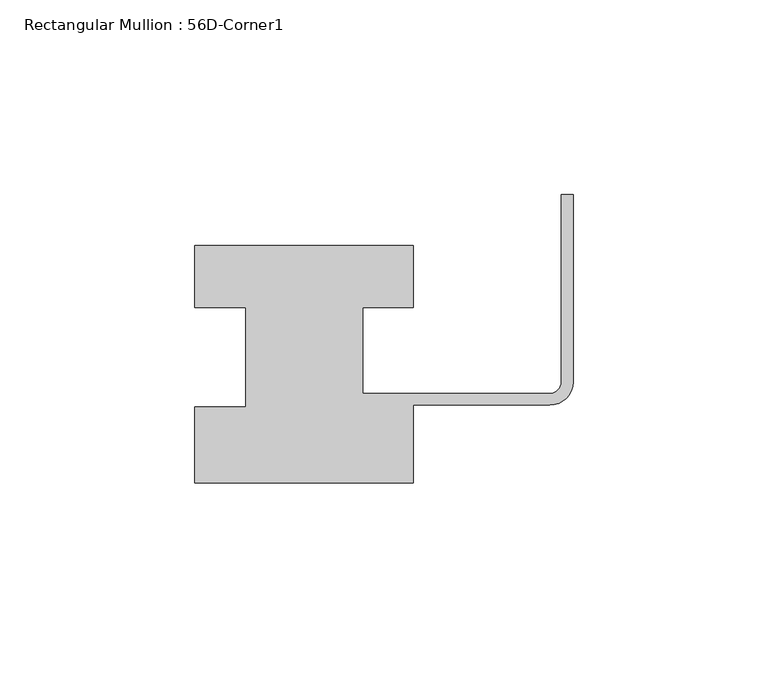
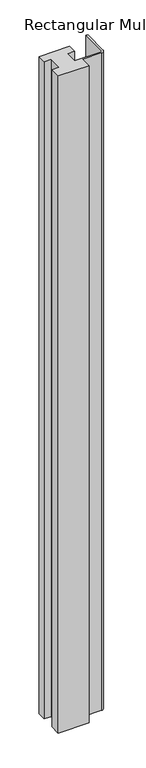
"""IFC4 building model written with IfcOpenShell, lengths in millimetres: member geometry, Rectangular Mullion : 56D-Corner1."""

from ifc_helpers import new_model, si_unit, point, frame, frame_2d, origin, place, context, project, spatial, polyline, circle_curve, trimmed, segment, composite_curve, outline, extrude, source, transform, mapped, element, save


def rectangular_mullion_56d_corner1_488c2313(model_context):
    return source(origin(), model_context, "Body", "SweptSolid", [
        extrude(outline(composite_curve([segment(polyline([(-97.0, -20.0), (-97.0, -0.5), (-84.0, -0.5), (-84.0, 25.0), (-97.0, 25.0), (-97.0, 41.0), (-41.0, 41.0), (-41.0, 25.0), (-54.0, 25.0), (-54.0, 3.0), (-6.0, 3.0)]), True, "CONTINUOUS"), segment(trimmed(circle_curve(frame_2d((-6.0, 6.0)), 3.0), [point((-6.0, 3.0))], [point((-3.0, 6.0))], True, "CARTESIAN"), True, "CONTINUOUS"), segment(polyline([(-3.0, 6.0), (-3.0, 54.0), (0.0, 54.0), (0.0, 6.0)]), True, "CONTINUOUS"), segment(trimmed(circle_curve(frame_2d((-6.0, 6.0)), 6.0), [point((0.0, 6.0))], [point((-6.0, 0.0))], False, "CARTESIAN"), True, "CONTINUOUS"), segment(polyline([(-6.0, 0.0), (-41.0, 0.0), (-41.0, -20.0), (-97.0, -20.0)]), True, "CONTINUOUS")], self_intersect=False)), frame((0.0, 0.0, -1266.465707), z_axis=(0.0, 0.0, 1.0), x_axis=(1.0, 0.0, 0.0)), (0.0, 0.0, 1.0), 1266.465707),
    ])


if __name__ == "__main__":
    model = new_model("IFC4")
    model_context = context("Model", 3, world=origin())
    ifc_project = project(units=[si_unit("LENGTHUNIT", "METRE", prefix="MILLI")], contexts=[model_context])
    site = spatial("IfcSite", under=ifc_project)
    building = spatial("IfcBuilding", under=site)
    placement = place(None, origin())
    rectangular_mullion_56d_corner1_shape = rectangular_mullion_56d_corner1_488c2313(model_context)
    element("IfcMember", 1, ObjectType="Rectangular Mullion : 56D-Corner1", at=placement, inside=building, context=model_context, shape_type="MappedRepresentation", body=[
        mapped(rectangular_mullion_56d_corner1_shape, transform((0.0, 0.0, 0.0), x_axis=(1.0, 0.0, 0.0), y_axis=(0.0, 1.0, 0.0), z_axis=(0.0, 0.0, 1.0))),
    ])
    save(model, "model.ifc")
